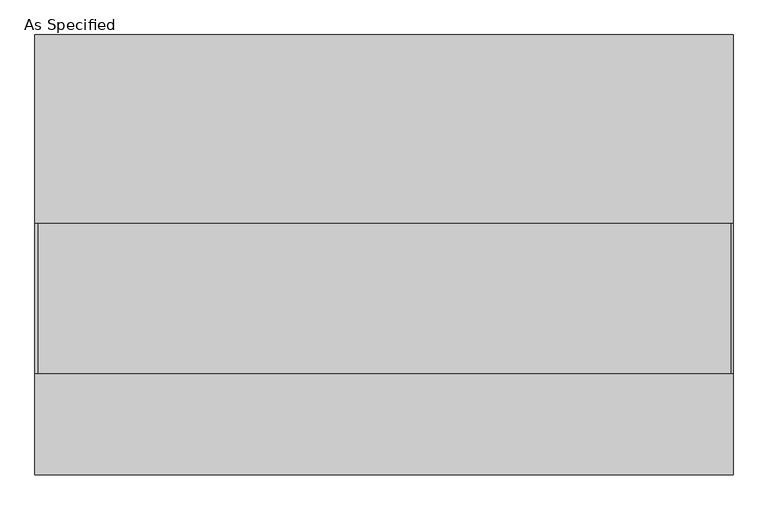
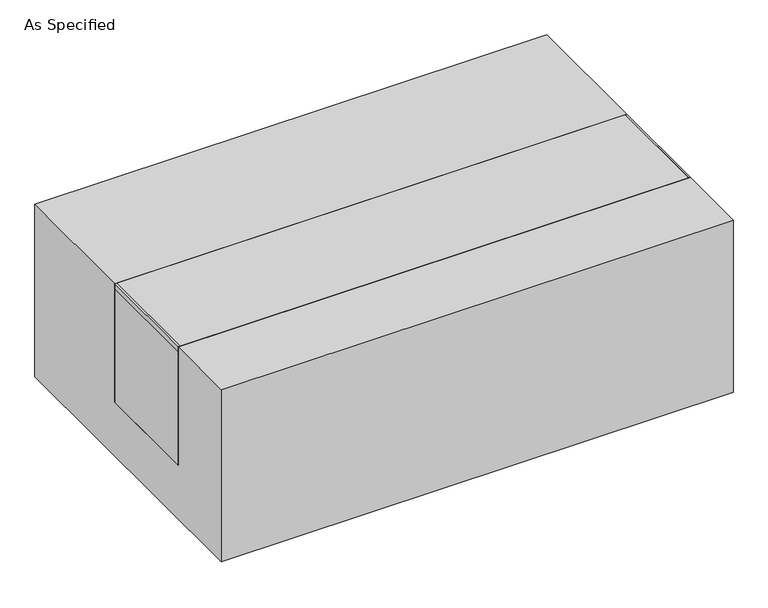
"""IFC4 building model written with IfcOpenShell, lengths in millimetres: proxy geometry, As Specified."""

from ifc_helpers import new_model, si_unit, point, frame, frame_2d, origin, place, context, project, spatial, polyline, circle_curve, trimmed, segment, composite_curve, outline, extrude, source, transform, mapped, element, save


def as_specified_0a82b285(model_context):
    return source(origin(), model_context, "Body", "SweptSolid", [
        extrude(outline(composite_curve([segment(trimmed(circle_curve(frame_2d((389.6125, -397.675)), 10.5), [point((389.6125, -408.175))], [point((389.6125, -387.175))], False, "CARTESIAN"), True, "CONTINUOUS"), segment(trimmed(circle_curve(frame_2d((389.6125, -397.675)), 10.5), [point((389.6125, -387.175))], [point((389.6125, -408.175))], False, "CARTESIAN"), True, "CONTINUOUS")], self_intersect=False)), frame((0.0, 0.0, -562.225), z_axis=(0.0, 0.0, 1.0), x_axis=(1.0, 0.0, 0.0)), (0.0, 0.0, 1.0), 32.0),
        extrude(outline(polyline([(-704.05625, -241.3), (-709.6125, -241.3), (-709.6125, 63.5), (-704.05625, 63.5), (-704.05625, -241.3)])), frame((0.0, 0.0, -39.6875), z_axis=(0.0, 0.0, 1.0), x_axis=(1.0, 0.0, 0.0)), (0.0, 0.0, 1.0), 14.2875),
        extrude(outline(polyline([(705.64375, 63.5), (709.6125, 63.5), (709.6125, -241.3), (705.64375, -241.3), (705.64375, 63.5)])), frame((0.0, 0.0, -39.6875), z_axis=(0.0, 0.0, 1.0), x_axis=(1.0, 0.0, 0.0)), (0.0, 0.0, 1.0), 14.2875),
        extrude(outline(polyline([(709.6125, 63.5), (709.6125, -241.3), (-709.6125, -241.3), (-709.6125, 63.5), (709.6125, 63.5)])), frame((0.0, 0.0, -373.0625), z_axis=(0.0, 0.0, 1.0), x_axis=(1.0, 0.0, 0.0)), (0.0, 0.0, 1.0), 347.6625),
        extrude(outline(polyline([(447.675, -25.4), (447.675, -530.225), (-447.675, -530.225), (-447.675, -25.4), (-241.3, -25.4), (-241.3, -373.0625), (63.5, -373.0625), (63.5, -25.4), (447.675, -25.4)])), frame((-709.6125, 0.0, 0.0), z_axis=(1.0, 0.0, 0.0), x_axis=(0.0, 1.0, 0.0)), (0.0, 0.0, 1.0), 1419.225),
    ])


if __name__ == "__main__":
    model = new_model("IFC4")
    model_context = context("Model", 3, world=origin())
    ifc_project = project(units=[si_unit("LENGTHUNIT", "METRE", prefix="MILLI")], contexts=[model_context])
    site = spatial("IfcSite", under=ifc_project)
    building = spatial("IfcBuilding", under=site)
    placement = place(None, origin())
    as_specified_shape = as_specified_0a82b285(model_context)
    element("IfcBuildingElementProxy", 1, Name="As Specified", ObjectType="As Specified", at=placement, inside=building, context=model_context, shape_type="MappedRepresentation", body=[
        mapped(as_specified_shape, transform((0.0, 0.0, 0.0), x_axis=(1.0, 0.0, 0.0), y_axis=(0.0, 1.0, 0.0), z_axis=(0.0, 0.0, 1.0))),
    ])
    save(model, "model.ifc")
